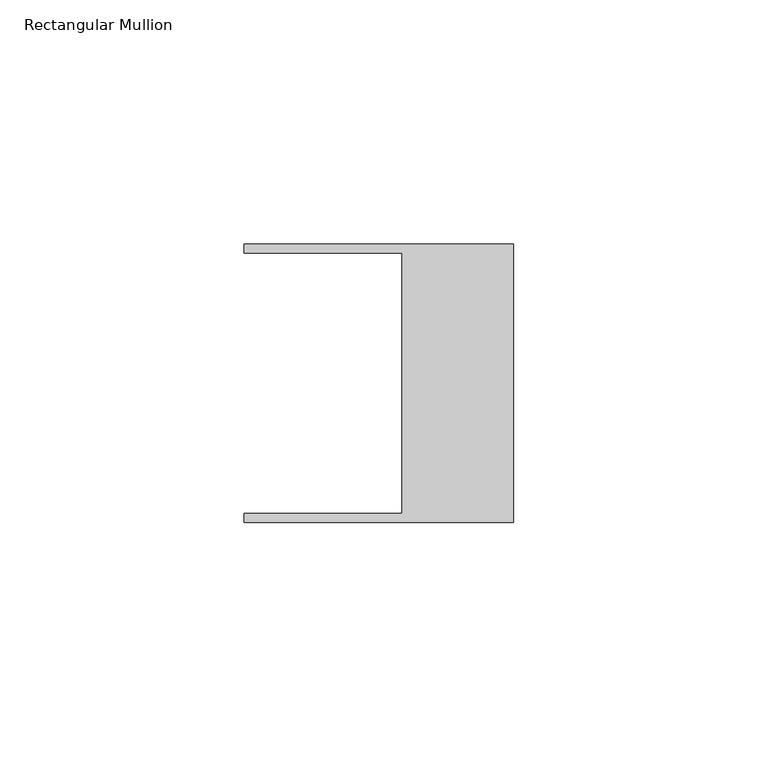
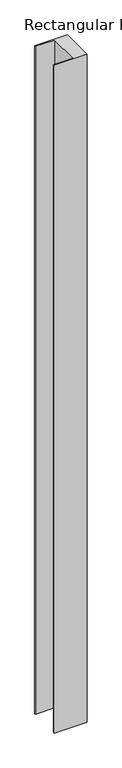
"""IFC4 building model written with IfcOpenShell, lengths in millimetres: member geometry, Rectangular Mullion."""

from ifc_helpers import new_model, si_unit, frame, origin, place, context, project, spatial, polyline, outline, extrude, source, transform, mapped, element, save


def rectangular_mullion_d21baef6(model_context):
    return source(origin(), model_context, "Body", "SweptSolid", [
        extrude(outline(polyline([(-55.118, 26.67), (-55.118, 28.448), (0.0, 28.448), (0.0, -28.448), (-55.118, -28.448), (-55.118, -26.67), (-22.86, -26.67), (-22.86, 26.67), (-55.118, 26.67)])), frame((0.0, 0.0, -1187.45), z_axis=(0.0, 0.0, 1.0), x_axis=(1.0, 0.0, 0.0)), (0.0, 0.0, 1.0), 1187.45),
    ])


if __name__ == "__main__":
    model = new_model("IFC4")
    model_context = context("Model", 3, world=origin())
    ifc_project = project(units=[si_unit("LENGTHUNIT", "METRE", prefix="MILLI")], contexts=[model_context])
    site = spatial("IfcSite", under=ifc_project)
    building = spatial("IfcBuilding", under=site)
    placement = place(None, origin())
    rectangular_mullion_shape = rectangular_mullion_d21baef6(model_context)
    element("IfcMember", 1, ObjectType="Rectangular Mullion", at=placement, inside=building, context=model_context, shape_type="MappedRepresentation", body=[
        mapped(rectangular_mullion_shape, transform((0.0, 0.0, 0.0), x_axis=(1.0, 0.0, 0.0), y_axis=(0.0, 1.0, 0.0), z_axis=(0.0, 0.0, 1.0))),
    ])
    save(model, "model.ifc")
